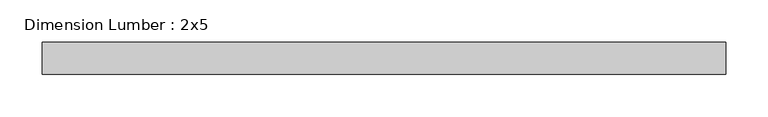
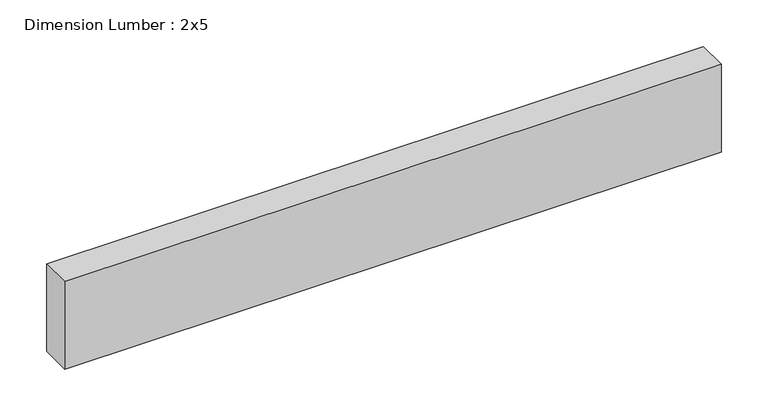
"""IFC4 building model written with IfcOpenShell, lengths in millimetres: beam geometry, Dimension Lumber : 2x5."""

import ifcopenshell
import ifcopenshell.guid

model = None  # the IFC model being written
_history = None  # IfcOwnerHistory: only IFC2X3 demands one
_inside = {}  # id of a spatial element -> (the spatial element, [elements in it])
_under = {}  # id of a project, library or spatial element -> (it, [spatial elements below it])
_declared = {}  # id of a project -> (the project, [libraries it declares])
_typed = {}  # id of a type object -> (the type object, [elements of that type])
_made_of = {}  # id of a material, layer set ... -> (it, [elements and type objects made of it])


def new_model(schema):
    """Start an empty IFC model of exactly this schema.

    Asked for "IFC4X3", IfcOpenShell would pick the latest addendum, in which some entities
    have other attributes; the version numbers below select the first issue.
    IFC2X3 requires an IfcOwnerHistory on every rooted entity: one is made here for all.
    """
    global model, _history
    if schema == "IFC4X3":
        model = ifcopenshell.file(schema_version=(4, 3, 0, 0))
    else:
        model = ifcopenshell.file(schema=schema)
    _inside.clear()
    _under.clear()
    _declared.clear()
    _typed.clear()
    _made_of.clear()
    _history = None
    if model.schema == "IFC2X3":
        org = make("IfcOrganization", Name="unknown")
        user = make(
            "IfcPersonAndOrganization",
            ThePerson=make("IfcPerson", FamilyName="unknown"),
            TheOrganization=org,
        )
        app = make(
            "IfcApplication",
            ApplicationDeveloper=org,
            Version="unknown",
            ApplicationFullName="unknown",
            ApplicationIdentifier="unknown",
        )
        _history = make(
            "IfcOwnerHistory",
            OwningUser=user,
            OwningApplication=app,
            ChangeAction="ADDED",
            CreationDate=0,
        )
    return model


def make(cls, **values):
    """One entity of the class cls with the attributes given. An attribute that is None is left unset."""
    return model.create_entity(
        cls, **{name: value for name, value in values.items() if value is not None}
    )


def rooted(cls, **values):
    """An entity with a GlobalId (a new one), such as an element, a storey or a relation."""
    return make(cls, GlobalId=ifcopenshell.guid.new(), OwnerHistory=_history, **values)


def si_unit(unit_type, name, prefix=None):
    """IfcSIUnit, for example si_unit("LENGTHUNIT", "METRE", prefix="MILLI")."""
    return make("IfcSIUnit", UnitType=unit_type, Prefix=prefix, Name=name)


def assignment(units):
    """IfcUnitAssignment: the units of a project."""
    return None if units is None else make("IfcUnitAssignment", Units=units)


def point(xyz):
    """IfcCartesianPoint."""
    return None if xyz is None else make("IfcCartesianPoint", Coordinates=xyz)


def direction(xyz):
    """IfcDirection."""
    return None if xyz is None else make("IfcDirection", DirectionRatios=xyz)


def frame(location, z_axis=None, x_axis=None):
    """IfcAxis2Placement3D, a coordinate frame: its origin and axes. An axis left out is left unset."""
    return make(
        "IfcAxis2Placement3D",
        Location=point(location),
        Axis=direction(z_axis),
        RefDirection=direction(x_axis),
    )


def origin():
    """The frame at (0, 0, 0) with its axes left unset."""
    return frame((0.0, 0.0, 0.0))


def place(relative_to, where):
    """IfcLocalPlacement: puts the frame where relative to a parent placement (None: the world)."""
    return make(
        "IfcLocalPlacement", PlacementRelTo=relative_to, RelativePlacement=where
    )


def context(
    kind, dimensions, precision=None, world=None, true_north=None, identifier=None
):
    """IfcGeometricRepresentationContext, for example the 3D "Model" context."""
    return make(
        "IfcGeometricRepresentationContext",
        ContextIdentifier=identifier,
        ContextType=kind,
        CoordinateSpaceDimension=dimensions,
        Precision=precision,
        WorldCoordinateSystem=world,
        TrueNorth=true_north,
    )


def project(units=None, contexts=None):
    """IfcProject with its units and contexts."""
    return rooted(
        "IfcProject",
        Name="project",
        RepresentationContexts=contexts,
        UnitsInContext=assignment(units),
    )


def spatial(cls, under=None, at=None, **own):
    """A site, building, storey or space (cls), placed at a placement, below another one or the project."""
    s = rooted(cls, ObjectPlacement=at, **own)
    if under is not None:
        _under.setdefault(under.id(), (under, []))[1].append(s)
    return s


def polyline(points):
    """IfcPolyline through the points."""
    return make("IfcPolyline", Points=[point(p) for p in points])


def outline(outer, holes=None, kind="AREA"):
    """IfcArbitraryClosedProfileDef: a profile drawn as a closed curve; with holes, ...WithVoids."""
    if holes is None:
        return make("IfcArbitraryClosedProfileDef", ProfileType=kind, OuterCurve=outer)
    return make(
        "IfcArbitraryProfileDefWithVoids",
        ProfileType=kind,
        OuterCurve=outer,
        InnerCurves=holes,
    )


def extrude(swept, where, along, depth):
    """IfcExtrudedAreaSolid: the profile swept, set in the frame where, extruded along a direction by depth."""
    return make(
        "IfcExtrudedAreaSolid",
        SweptArea=swept,
        Position=where,
        ExtrudedDirection=direction(along),
        Depth=depth,
    )


def shape(context_of_items, identifier, shape_type, items):
    """IfcShapeRepresentation: the items that make up one representation, for example the "Body"."""
    return make(
        "IfcShapeRepresentation",
        ContextOfItems=context_of_items,
        RepresentationIdentifier=identifier,
        RepresentationType=shape_type,
        Items=items,
    )


def source(mapping_origin, context_of_items, identifier, shape_type, items):
    """IfcRepresentationMap: a shape defined once, which mapped items show again and again."""
    return make(
        "IfcRepresentationMap",
        MappingOrigin=mapping_origin,
        MappedRepresentation=shape(context_of_items, identifier, shape_type, items),
    )


def transform(
    local_origin,
    x_axis=None,
    y_axis=None,
    z_axis=None,
    scale=None,
    scale2=None,
    scale3=None,
    uniform=True,
):
    """IfcCartesianTransformationOperator3D, or its non-uniform kind. x_axis, y_axis, z_axis: its Axis1, 2, 3."""
    if uniform:
        return make(
            "IfcCartesianTransformationOperator3D",
            Axis1=direction(x_axis),
            Axis2=direction(y_axis),
            LocalOrigin=point(local_origin),
            Scale=scale,
            Axis3=direction(z_axis),
        )
    return make(
        "IfcCartesianTransformationOperator3DnonUniform",
        Axis1=direction(x_axis),
        Axis2=direction(y_axis),
        LocalOrigin=point(local_origin),
        Scale=scale,
        Axis3=direction(z_axis),
        Scale2=scale2,
        Scale3=scale3,
    )


def mapped(mapping_source, mapping_target):
    """IfcMappedItem: shows the shape of a source again, moved by a transform."""
    return make(
        "IfcMappedItem", MappingSource=mapping_source, MappingTarget=mapping_target
    )


def made_of(thing, what):
    """Note that an element or type object is made of a material, layer set ...; save() writes the relation."""
    if what is not None:
        _made_of.setdefault(what.id(), (what, []))[1].append(thing)
    return thing


def element(
    cls,
    number,
    at=None,
    inside=None,
    cuts=None,
    type_object=None,
    material=None,
    context=None,
    identifier="Body",
    shape_type=None,
    held_by="IfcProductDefinitionShape",
    body=None,
    shapes=None,
    **own,
):
    """One element of the class cls, such as IfcWall. Its Tag is "e" and its number.

    at: its placement. inside: the storey or other place that contains it. cuts: it is an
    opening in that element (IfcRelVoidsElement). A single representation is given by context,
    identifier, shape_type and body (its items); several are given by shapes. held_by: the class
    of the entity that holds the representations. save() writes the other relations.
    """
    e = rooted(cls, Tag="e%d" % number, ObjectPlacement=at, **own)
    if body is not None:
        shapes = [shape(context, identifier, shape_type, body)]
    if shapes is not None:
        e.Representation = make(held_by, Representations=shapes)
    if inside is not None:
        _inside.setdefault(inside.id(), (inside, []))[1].append(e)
    if cuts is not None:
        rooted(
            "IfcRelVoidsElement", RelatingBuildingElement=cuts, RelatedOpeningElement=e
        )
    if type_object is not None:
        _typed.setdefault(type_object.id(), (type_object, []))[1].append(e)
    return made_of(e, material)


def aggregate(whole, parts):
    """IfcRelAggregates: a whole, such as a stair, and the parts it consists of."""
    return rooted("IfcRelAggregates", RelatingObject=whole, RelatedObjects=parts)


def save(model, path):
    """Write the relations noted so far, then the file.

    IfcRelAggregates (storeys below a building ...), IfcRelContainedInSpatialStructure (elements
    in a storey), IfcRelDefinesByType, IfcRelAssociatesMaterial and IfcRelDeclares: one each for
    every whole, place, type object, material and project.
    """
    for whole, parts in _under.values():
        aggregate(whole, parts)
    for where, things in _inside.values():
        rooted(
            "IfcRelContainedInSpatialStructure",
            RelatedElements=things,
            RelatingStructure=where,
        )
    for kind, things in _typed.values():
        rooted("IfcRelDefinesByType", RelatedObjects=things, RelatingType=kind)
    for what, things in _made_of.values():
        rooted("IfcRelAssociatesMaterial", RelatedObjects=things, RelatingMaterial=what)
    for by, libraries in _declared.values():
        rooted("IfcRelDeclares", RelatingContext=by, RelatedDefinitions=libraries)
    model.write(path)


def dimension_lumber_2x5_ad6cc02c(model_context):
    return source(origin(), model_context, "Body", "SweptSolid", [
        extrude(outline(polyline([(405.1399982, 19.05), (405.1399982, -19.05), (-405.1399982, -19.05), (-405.1399982, 19.05), (405.1399982, 19.05)])), frame((0.0, 0.0, -57.15), z_axis=(0.0, 0.0, 1.0), x_axis=(1.0, 0.0, 0.0)), (0.0, 0.0, 1.0), 114.3),
    ])


if __name__ == "__main__":
    model = new_model("IFC4")
    model_context = context("Model", 3, world=origin())
    ifc_project = project(units=[si_unit("LENGTHUNIT", "METRE", prefix="MILLI")], contexts=[model_context])
    site = spatial("IfcSite", under=ifc_project)
    building = spatial("IfcBuilding", under=site)
    placement = place(None, origin())
    dimension_lumber_2x5_shape = dimension_lumber_2x5_ad6cc02c(model_context)
    element("IfcBeam", 1, ObjectType="Dimension Lumber : 2x5", at=placement, inside=building, context=model_context, shape_type="MappedRepresentation", body=[
        mapped(dimension_lumber_2x5_shape, transform((0.0, 0.0, 0.0), x_axis=(1.0, 0.0, 0.0), y_axis=(0.0, 1.0, 0.0), z_axis=(0.0, 0.0, 1.0))),
    ])
    save(model, "model.ifc")
